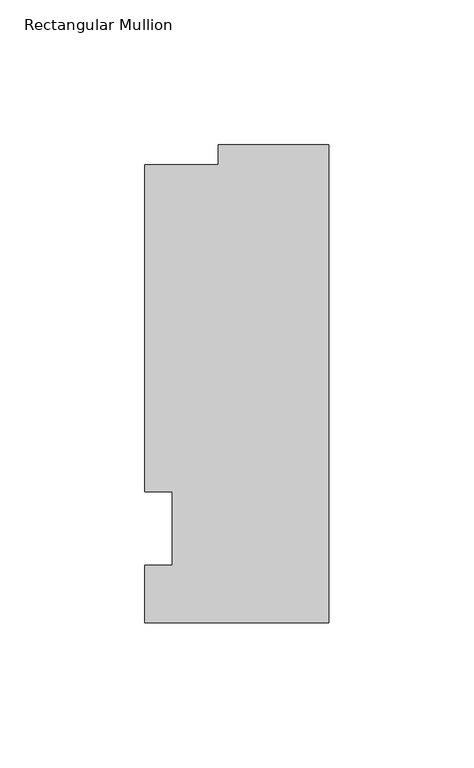
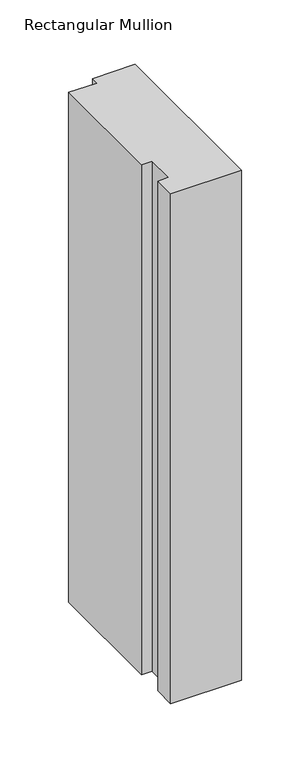
"""IFC4 building model written with IfcOpenShell, lengths in millimetres: member geometry, Rectangular Mullion."""

from ifc_helpers import new_model, si_unit, frame, origin, place, context, project, spatial, polyline, outline, extrude, source, transform, mapped, element, save


def rectangular_mullion_d03ebdd6(model_context):
    return source(origin(), model_context, "Body", "SweptSolid", [
        extrude(outline(polyline([(-63.5, -32.54375), (-63.5, -12.7), (-53.975, -12.7), (-53.975, 12.7), (-63.5, 12.7), (-63.5, 125.59665), (-38.1, 125.59665), (-38.1, 132.55625), (0.0, 132.55625), (0.0, -32.54375), (-63.5, -32.54375)])), frame((0.0, 0.0, -482.6), z_axis=(0.0, 0.0, 1.0), x_axis=(1.0, 0.0, 0.0)), (0.0, 0.0, 1.0), 482.6),
    ])


if __name__ == "__main__":
    model = new_model("IFC4")
    model_context = context("Model", 3, world=origin())
    ifc_project = project(units=[si_unit("LENGTHUNIT", "METRE", prefix="MILLI")], contexts=[model_context])
    site = spatial("IfcSite", under=ifc_project)
    building = spatial("IfcBuilding", under=site)
    placement = place(None, origin())
    rectangular_mullion_shape = rectangular_mullion_d03ebdd6(model_context)
    element("IfcMember", 1, ObjectType="Rectangular Mullion", at=placement, inside=building, context=model_context, shape_type="MappedRepresentation", body=[
        mapped(rectangular_mullion_shape, transform((0.0, 0.0, 0.0), x_axis=(1.0, 0.0, 0.0), y_axis=(0.0, 1.0, 0.0), z_axis=(0.0, 0.0, 1.0))),
    ])
    save(model, "model.ifc")
